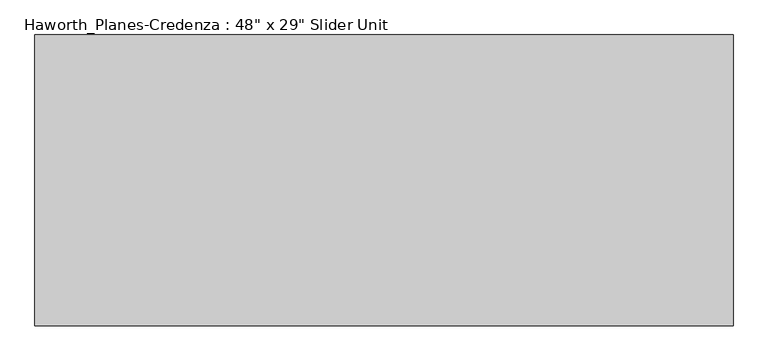
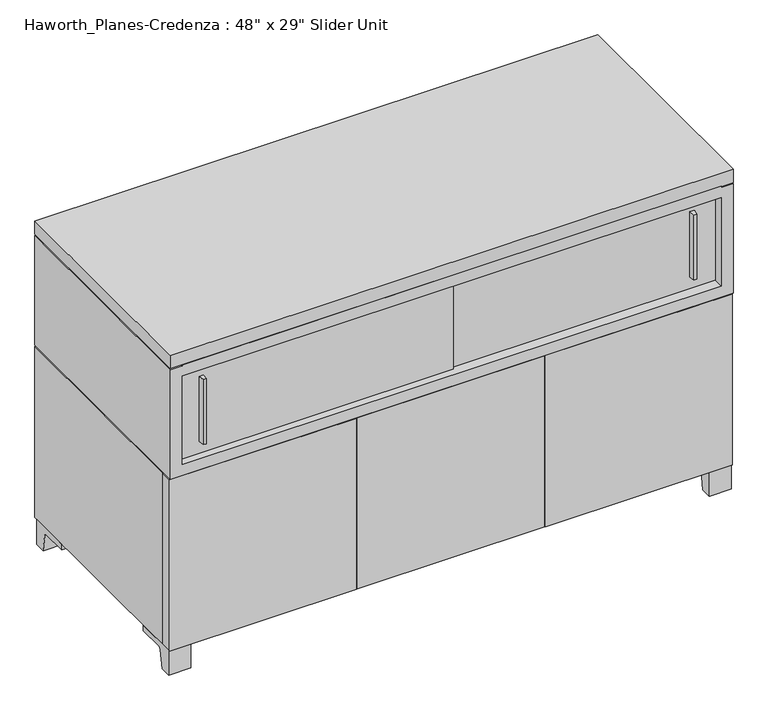
"""IFC4 building model written with IfcOpenShell, lengths in millimetres: furniture geometry."""

import ifcopenshell
import ifcopenshell.guid

model = None  # the IFC model being written
_history = None  # IfcOwnerHistory: only IFC2X3 demands one
_inside = {}  # id of a spatial element -> (the spatial element, [elements in it])
_under = {}  # id of a project, library or spatial element -> (it, [spatial elements below it])
_declared = {}  # id of a project -> (the project, [libraries it declares])
_typed = {}  # id of a type object -> (the type object, [elements of that type])
_made_of = {}  # id of a material, layer set ... -> (it, [elements and type objects made of it])


def new_model(schema):
    """Start an empty IFC model of exactly this schema.

    Asked for "IFC4X3", IfcOpenShell would pick the latest addendum, in which some entities
    have other attributes; the version numbers below select the first issue.
    IFC2X3 requires an IfcOwnerHistory on every rooted entity: one is made here for all.
    """
    global model, _history
    if schema == "IFC4X3":
        model = ifcopenshell.file(schema_version=(4, 3, 0, 0))
    else:
        model = ifcopenshell.file(schema=schema)
    _inside.clear()
    _under.clear()
    _declared.clear()
    _typed.clear()
    _made_of.clear()
    _history = None
    if model.schema == "IFC2X3":
        org = make("IfcOrganization", Name="unknown")
        user = make(
            "IfcPersonAndOrganization",
            ThePerson=make("IfcPerson", FamilyName="unknown"),
            TheOrganization=org,
        )
        app = make(
            "IfcApplication",
            ApplicationDeveloper=org,
            Version="unknown",
            ApplicationFullName="unknown",
            ApplicationIdentifier="unknown",
        )
        _history = make(
            "IfcOwnerHistory",
            OwningUser=user,
            OwningApplication=app,
            ChangeAction="ADDED",
            CreationDate=0,
        )
    return model


def make(cls, **values):
    """One entity of the class cls with the attributes given. An attribute that is None is left unset."""
    return model.create_entity(
        cls, **{name: value for name, value in values.items() if value is not None}
    )


def rooted(cls, **values):
    """An entity with a GlobalId (a new one), such as an element, a storey or a relation."""
    return make(cls, GlobalId=ifcopenshell.guid.new(), OwnerHistory=_history, **values)


def si_unit(unit_type, name, prefix=None):
    """IfcSIUnit, for example si_unit("LENGTHUNIT", "METRE", prefix="MILLI")."""
    return make("IfcSIUnit", UnitType=unit_type, Prefix=prefix, Name=name)


def assignment(units):
    """IfcUnitAssignment: the units of a project."""
    return None if units is None else make("IfcUnitAssignment", Units=units)


def point(xyz):
    """IfcCartesianPoint."""
    return None if xyz is None else make("IfcCartesianPoint", Coordinates=xyz)


def direction(xyz):
    """IfcDirection."""
    return None if xyz is None else make("IfcDirection", DirectionRatios=xyz)


def frame(location, z_axis=None, x_axis=None):
    """IfcAxis2Placement3D, a coordinate frame: its origin and axes. An axis left out is left unset."""
    return make(
        "IfcAxis2Placement3D",
        Location=point(location),
        Axis=direction(z_axis),
        RefDirection=direction(x_axis),
    )


def frame_2d(location, x_axis=None):
    """IfcAxis2Placement2D, a coordinate frame in the plane: its origin and x axis."""
    return make(
        "IfcAxis2Placement2D", Location=point(location), RefDirection=direction(x_axis)
    )


def origin():
    """The frame at (0, 0, 0) with its axes left unset."""
    return frame((0.0, 0.0, 0.0))


def place(relative_to, where):
    """IfcLocalPlacement: puts the frame where relative to a parent placement (None: the world)."""
    return make(
        "IfcLocalPlacement", PlacementRelTo=relative_to, RelativePlacement=where
    )


def context(
    kind, dimensions, precision=None, world=None, true_north=None, identifier=None
):
    """IfcGeometricRepresentationContext, for example the 3D "Model" context."""
    return make(
        "IfcGeometricRepresentationContext",
        ContextIdentifier=identifier,
        ContextType=kind,
        CoordinateSpaceDimension=dimensions,
        Precision=precision,
        WorldCoordinateSystem=world,
        TrueNorth=true_north,
    )


def project(units=None, contexts=None):
    """IfcProject with its units and contexts."""
    return rooted(
        "IfcProject",
        Name="project",
        RepresentationContexts=contexts,
        UnitsInContext=assignment(units),
    )


def spatial(cls, under=None, at=None, **own):
    """A site, building, storey or space (cls), placed at a placement, below another one or the project."""
    s = rooted(cls, ObjectPlacement=at, **own)
    if under is not None:
        _under.setdefault(under.id(), (under, []))[1].append(s)
    return s


def polyline(points):
    """IfcPolyline through the points."""
    return make("IfcPolyline", Points=[point(p) for p in points])


def circle_curve(where, radius):
    """IfcCircle in the frame where."""
    return make("IfcCircle", Position=where, Radius=radius)


def trimmed(basis, trim1, trim2, sense, master):
    """IfcTrimmedCurve: the piece of a basis curve between two trims."""
    return make(
        "IfcTrimmedCurve",
        BasisCurve=basis,
        Trim1=trim1,
        Trim2=trim2,
        SenseAgreement=sense,
        MasterRepresentation=master,
    )


def segment(curve, same_sense, transition):
    """IfcCompositeCurveSegment."""
    return make(
        "IfcCompositeCurveSegment",
        Transition=transition,
        SameSense=same_sense,
        ParentCurve=curve,
    )


def composite_curve(segments, self_intersect=None):
    """IfcCompositeCurve: segments joined end to end."""
    return make("IfcCompositeCurve", Segments=segments, SelfIntersect=self_intersect)


def outline(outer, holes=None, kind="AREA"):
    """IfcArbitraryClosedProfileDef: a profile drawn as a closed curve; with holes, ...WithVoids."""
    if holes is None:
        return make("IfcArbitraryClosedProfileDef", ProfileType=kind, OuterCurve=outer)
    return make(
        "IfcArbitraryProfileDefWithVoids",
        ProfileType=kind,
        OuterCurve=outer,
        InnerCurves=holes,
    )


def extrude(swept, where, along, depth):
    """IfcExtrudedAreaSolid: the profile swept, set in the frame where, extruded along a direction by depth."""
    return make(
        "IfcExtrudedAreaSolid",
        SweptArea=swept,
        Position=where,
        ExtrudedDirection=direction(along),
        Depth=depth,
    )


def faces_of(points, faces, orient=None, outer=None):
    """IfcFace entities. A face is a list of loops; a loop is a list of indices into points, from 0.

    orient and outer hold one flag for each loop. By default every Orientation is true, the
    first loop of a face is its IfcFaceOuterBound and the others are IfcFaceBound.
    """
    made = []
    for i, loops in enumerate(faces):
        bounds = []
        for j, loop in enumerate(loops):
            is_outer = j == 0 if outer is None else outer[i][j]
            bounds.append(
                make(
                    "IfcFaceOuterBound" if is_outer else "IfcFaceBound",
                    Bound=make("IfcPolyLoop", Polygon=[points[k] for k in loop]),
                    Orientation=True if orient is None else orient[i][j],
                )
            )
        made.append(make("IfcFace", Bounds=bounds))
    return made


def faceted_brep(points, faces, orient=None, outer=None, voids=None):
    """IfcFacetedBrep: a solid bounded by flat faces; with voids (closed shells), ...WithVoids."""
    shared = [point(p) for p in points]
    hull = make("IfcClosedShell", CfsFaces=faces_of(shared, faces, orient, outer))
    if voids is None:
        return make("IfcFacetedBrep", Outer=hull)
    return make(
        "IfcFacetedBrepWithVoids",
        Outer=hull,
        Voids=[
            make(cls, CfsFaces=faces_of(shared, fs, o, b)) for cls, fs, o, b in voids
        ],
    )


def shape(context_of_items, identifier, shape_type, items):
    """IfcShapeRepresentation: the items that make up one representation, for example the "Body"."""
    return make(
        "IfcShapeRepresentation",
        ContextOfItems=context_of_items,
        RepresentationIdentifier=identifier,
        RepresentationType=shape_type,
        Items=items,
    )


def source(mapping_origin, context_of_items, identifier, shape_type, items):
    """IfcRepresentationMap: a shape defined once, which mapped items show again and again."""
    return make(
        "IfcRepresentationMap",
        MappingOrigin=mapping_origin,
        MappedRepresentation=shape(context_of_items, identifier, shape_type, items),
    )


def transform(
    local_origin,
    x_axis=None,
    y_axis=None,
    z_axis=None,
    scale=None,
    scale2=None,
    scale3=None,
    uniform=True,
):
    """IfcCartesianTransformationOperator3D, or its non-uniform kind. x_axis, y_axis, z_axis: its Axis1, 2, 3."""
    if uniform:
        return make(
            "IfcCartesianTransformationOperator3D",
            Axis1=direction(x_axis),
            Axis2=direction(y_axis),
            LocalOrigin=point(local_origin),
            Scale=scale,
            Axis3=direction(z_axis),
        )
    return make(
        "IfcCartesianTransformationOperator3DnonUniform",
        Axis1=direction(x_axis),
        Axis2=direction(y_axis),
        LocalOrigin=point(local_origin),
        Scale=scale,
        Axis3=direction(z_axis),
        Scale2=scale2,
        Scale3=scale3,
    )


def mapped(mapping_source, mapping_target):
    """IfcMappedItem: shows the shape of a source again, moved by a transform."""
    return make(
        "IfcMappedItem", MappingSource=mapping_source, MappingTarget=mapping_target
    )


def made_of(thing, what):
    """Note that an element or type object is made of a material, layer set ...; save() writes the relation."""
    if what is not None:
        _made_of.setdefault(what.id(), (what, []))[1].append(thing)
    return thing


def element(
    cls,
    number,
    at=None,
    inside=None,
    cuts=None,
    type_object=None,
    material=None,
    context=None,
    identifier="Body",
    shape_type=None,
    held_by="IfcProductDefinitionShape",
    body=None,
    shapes=None,
    **own,
):
    """One element of the class cls, such as IfcWall. Its Tag is "e" and its number.

    at: its placement. inside: the storey or other place that contains it. cuts: it is an
    opening in that element (IfcRelVoidsElement). A single representation is given by context,
    identifier, shape_type and body (its items); several are given by shapes. held_by: the class
    of the entity that holds the representations. save() writes the other relations.
    """
    e = rooted(cls, Tag="e%d" % number, ObjectPlacement=at, **own)
    if body is not None:
        shapes = [shape(context, identifier, shape_type, body)]
    if shapes is not None:
        e.Representation = make(held_by, Representations=shapes)
    if inside is not None:
        _inside.setdefault(inside.id(), (inside, []))[1].append(e)
    if cuts is not None:
        rooted(
            "IfcRelVoidsElement", RelatingBuildingElement=cuts, RelatedOpeningElement=e
        )
    if type_object is not None:
        _typed.setdefault(type_object.id(), (type_object, []))[1].append(e)
    return made_of(e, material)


def aggregate(whole, parts):
    """IfcRelAggregates: a whole, such as a stair, and the parts it consists of."""
    return rooted("IfcRelAggregates", RelatingObject=whole, RelatedObjects=parts)


def save(model, path):
    """Write the relations noted so far, then the file.

    IfcRelAggregates (storeys below a building ...), IfcRelContainedInSpatialStructure (elements
    in a storey), IfcRelDefinesByType, IfcRelAssociatesMaterial and IfcRelDeclares: one each for
    every whole, place, type object, material and project.
    """
    for whole, parts in _under.values():
        aggregate(whole, parts)
    for where, things in _inside.values():
        rooted(
            "IfcRelContainedInSpatialStructure",
            RelatedElements=things,
            RelatingStructure=where,
        )
    for kind, things in _typed.values():
        rooted("IfcRelDefinesByType", RelatedObjects=things, RelatingType=kind)
    for what, things in _made_of.values():
        rooted("IfcRelAssociatesMaterial", RelatedObjects=things, RelatingMaterial=what)
    for by, libraries in _declared.values():
        rooted("IfcRelDeclares", RelatingContext=by, RelatedDefinitions=libraries)
    model.write(path)


def furniture_ec403094(model_context):
    return source(origin(), model_context, "Body", "SolidModel", [
        extrude(outline(composite_curve([segment(polyline([(-368.5593029, 0.0), (-392.900956, 0.0), (-392.900956, 57.15), (-297.650956, 57.15), (-297.650956, 44.45), (-355.7717125, 44.45)]), True, "CONTINUOUS"), segment(trimmed(circle_curve(frame_2d((-355.7717125, 38.1)), 6.35), [point((-355.7717125, 44.45))], [point((-362.0353139, 39.1439336))], True, "CARTESIAN"), True, "CONTINUOUS"), segment(polyline([(-362.0353139, 39.1439336), (-368.5593029, 0.0)]), True, "CONTINUOUS")], self_intersect=False)), frame((877.5480475, 0.0, 0.0), z_axis=(1.0, 0.0, 0.0), x_axis=(0.0, 1.0, 0.0)), (0.0, 0.0, 1.0), 47.625),
        extrude(outline(composite_curve([segment(polyline([(78.0573909, 0.0), (71.533402, 39.1439336)]), True, "CONTINUOUS"), segment(trimmed(circle_curve(frame_2d((65.2698006, 38.1)), 6.35), [point((71.533402, 39.1439336))], [point((65.2698006, 44.45))], True, "CARTESIAN"), True, "CONTINUOUS"), segment(polyline([(65.2698006, 44.45), (7.149044, 44.45), (7.149044, 57.15), (102.399044, 57.15), (102.399044, 0.0), (78.0573909, 0.0)]), True, "CONTINUOUS")], self_intersect=False)), frame((877.5480475, 0.0, 0.0), z_axis=(1.0, 0.0, 0.0), x_axis=(0.0, 1.0, 0.0)), (0.0, 0.0, 1.0), 47.625),
        extrude(outline(composite_curve([segment(polyline([(-368.5593029, 0.0), (-392.900956, 0.0), (-392.900956, 57.15), (-297.650956, 57.15), (-297.650956, 44.45), (-355.7717125, 44.45)]), True, "CONTINUOUS"), segment(trimmed(circle_curve(frame_2d((-355.7717125, 38.1)), 6.35), [point((-355.7717125, 44.45))], [point((-362.0353139, 39.1439336))], True, "CARTESIAN"), True, "CONTINUOUS"), segment(polyline([(-362.0353139, 39.1439336), (-368.5593029, 0.0)]), True, "CONTINUOUS")], self_intersect=False)), frame((-294.0269525, 0.0, 0.0), z_axis=(1.0, 0.0, 0.0), x_axis=(0.0, 1.0, 0.0)), (0.0, 0.0, 1.0), 47.625),
        extrude(outline(composite_curve([segment(polyline([(78.0573909, 0.0), (71.533402, 39.1439336)]), True, "CONTINUOUS"), segment(trimmed(circle_curve(frame_2d((65.2698006, 38.1)), 6.35), [point((71.533402, 39.1439336))], [point((65.2698006, 44.45))], True, "CARTESIAN"), True, "CONTINUOUS"), segment(polyline([(65.2698006, 44.45), (7.149044, 44.45), (7.149044, 57.15), (102.399044, 57.15), (102.399044, 0.0), (78.0573909, 0.0)]), True, "CONTINUOUS")], self_intersect=False)), frame((-294.0269525, 0.0, 0.0), z_axis=(1.0, 0.0, 0.0), x_axis=(0.0, 1.0, 0.0)), (0.0, 0.0, 1.0), 47.625),
        extrude(outline(polyline([(517.9792975, -396.075956), (113.1667975, -396.075956), (113.1667975, -370.675956), (517.9792975, -370.675956), (517.9792975, -396.075956)])), frame((0.0, 0.0, 57.15), z_axis=(0.0, 0.0, 1.0), x_axis=(1.0, 0.0, 0.0)), (0.0, 0.0, 1.0), 392.1125),
        extrude(outline(polyline([(-294.0269525, -396.075956), (-294.0269525, -370.675956), (110.7855475, -370.675956), (110.7855475, -396.075956), (-294.0269525, -396.075956)])), frame((0.0, 0.0, 57.15), z_axis=(0.0, 0.0, 1.0), x_axis=(1.0, 0.0, 0.0)), (0.0, 0.0, 1.0), 392.1125),
        extrude(outline(polyline([(925.1730475, -396.075956), (520.3605475, -396.075956), (520.3605475, -370.675956), (925.1730475, -370.675956), (925.1730475, -396.075956)])), frame((0.0, 0.0, 57.15), z_axis=(0.0, 0.0, 1.0), x_axis=(1.0, 0.0, 0.0)), (0.0, 0.0, 1.0), 392.1125),
        extrude(outline(polyline([(852.1480478, -389.7259439), (845.7980471, -389.7259439), (844.2105486, -377.025956), (853.7355463, -377.025956), (852.1480478, -389.7259439)])), frame((0.0, 0.0, 504.825), z_axis=(0.0, 0.0, 1.0), x_axis=(1.0, 0.0, 0.0)), (0.0, 0.0, 1.0), 149.225),
        extrude(outline(polyline([(-214.6519522, -396.0759439), (-221.0019529, -396.0759439), (-222.5894514, -383.375956), (-213.0644537, -383.375956), (-214.6519522, -396.0759439)])), frame((0.0, 0.0, 504.825), z_axis=(0.0, 0.0, 1.0), x_axis=(1.0, 0.0, 0.0)), (0.0, 0.0, 1.0), 149.225),
        extrude(outline(polyline([(-268.6269525, -377.025956), (328.2730475, -377.025956), (328.2730475, -383.375956), (-268.6269525, -383.375956), (-268.6269525, -377.025956)])), frame((0.0, 0.0, 477.8375), z_axis=(0.0, 0.0, 1.0), x_axis=(1.0, 0.0, 0.0)), (0.0, 0.0, 1.0), 203.2),
        extrude(outline(polyline([(302.8730475, -370.675956), (899.7730475, -370.675956), (899.7730475, -377.025956), (302.8730475, -377.025956), (302.8730475, -370.675956)])), frame((0.0, 0.0, 477.8375), z_axis=(0.0, 0.0, 1.0), x_axis=(1.0, 0.0, 0.0)), (0.0, 0.0, 1.0), 203.2),
        faceted_brep([(-294.0269525, -370.675956, 449.2625), (-294.0269525, -370.675956, 57.15), (925.1730475, -370.675956, 57.15), (925.1730475, -370.675956, 449.2625), (899.7730475, -370.675956, 449.2625), (899.7730475, -370.675956, 452.4375), (-268.6269525, -370.675956, 452.4375), (-268.6269525, -370.675956, 449.2625), (-294.0269525, 108.749044, 449.2625), (925.1730475, 108.749044, 449.2625), (925.1730475, 108.749044, 57.15), (-294.0269525, 108.749044, 57.15), (-268.6269525, 83.349044, 449.2625), (899.7730475, 83.349044, 449.2625), (-268.6269525, 83.349044, 452.4375), (899.7730475, 83.349044, 452.4375)], [[[0, 1, 2, 3, 4, 5, 6, 7]], [[8, 9, 10, 11]], [[1, 0, 8, 11]], [[2, 1, 11, 10]], [[3, 2, 10, 9]], [[9, 8, 0, 7, 12, 13, 4, 3]], [[14, 15, 13, 12]], [[7, 6, 14, 12]], [[5, 4, 13, 15]], [[6, 5, 15, 14]]]),
        faceted_brep([(899.7730475, -399.250956, 706.4375), (-268.6269525, -399.250956, 706.4375), (-268.6269525, -399.250956, 703.2625), (-294.0269525, -399.250956, 703.2625), (-294.0269525, -399.250956, 452.4375), (925.1730475, -399.250956, 452.4375), (925.1730475, -399.250956, 703.2625), (899.7730475, -399.250956, 703.2625), (899.7730475, -399.250956, 681.0375), (899.7730475, -399.250956, 477.8375), (-268.6269525, -399.250956, 477.8375), (-268.6269525, -399.250956, 681.0375), (899.7730475, 83.349044, 706.4375), (899.7730475, 83.349044, 703.2625), (-268.6269525, 83.349044, 703.2625), (-268.6269525, 83.349044, 706.4375), (-294.0269525, 108.749044, 703.2625), (-294.0269525, 108.749044, 452.4375), (925.1730475, 108.749044, 452.4375), (925.1730475, 108.749044, 703.2625), (899.7730475, 83.349044, 681.0375), (899.7730475, 83.349044, 477.8375), (-268.6269525, 83.349044, 477.8375), (-268.6269525, 83.349044, 681.0375)], [[[0, 1, 2, 3, 4, 5, 6, 7], [8, 9, 10, 11]], [[12, 13, 14, 15]], [[1, 0, 12, 15]], [[4, 3, 16, 17]], [[5, 4, 17, 18]], [[6, 5, 18, 19]], [[9, 8, 20, 21]], [[10, 9, 21, 22]], [[11, 10, 22, 23]], [[8, 11, 23, 20]], [[21, 20, 23, 22]], [[19, 18, 17, 16]], [[2, 1, 15, 14]], [[16, 3, 2, 14, 13, 7, 6, 19]], [[0, 7, 13, 12]]]),
        extrude(outline(polyline([(925.1730475, 108.749044), (925.1730475, -399.250956), (-294.0269525, -399.250956), (-294.0269525, 108.749044), (925.1730475, 108.749044)])), frame((0.0, 0.0, 706.4375), z_axis=(0.0, 0.0, 1.0), x_axis=(1.0, 0.0, 0.0)), (0.0, 0.0, 1.0), 30.1625),
    ])


if __name__ == "__main__":
    model = new_model("IFC4")
    model_context = context("Model", 3, world=origin())
    ifc_project = project(units=[si_unit("LENGTHUNIT", "METRE", prefix="MILLI")], contexts=[model_context])
    site = spatial("IfcSite", under=ifc_project)
    building = spatial("IfcBuilding", under=site)
    placement = place(None, origin())
    furniture_shape = furniture_ec403094(model_context)
    element("IfcFurniture", 1, ObjectType="Haworth_Planes-Credenza : 48\" x 29\" Slider Unit", at=placement, inside=building, context=model_context, shape_type="MappedRepresentation", body=[
        mapped(furniture_shape, transform((0.0, 0.0, 0.0), x_axis=(1.0, 0.0, 0.0), y_axis=(0.0, 1.0, 0.0), z_axis=(0.0, 0.0, 1.0))),
    ])
    save(model, "model.ifc")
